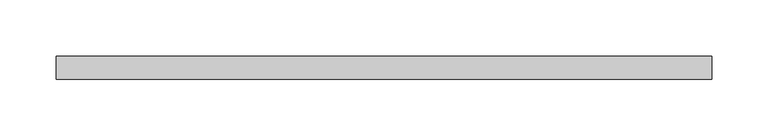
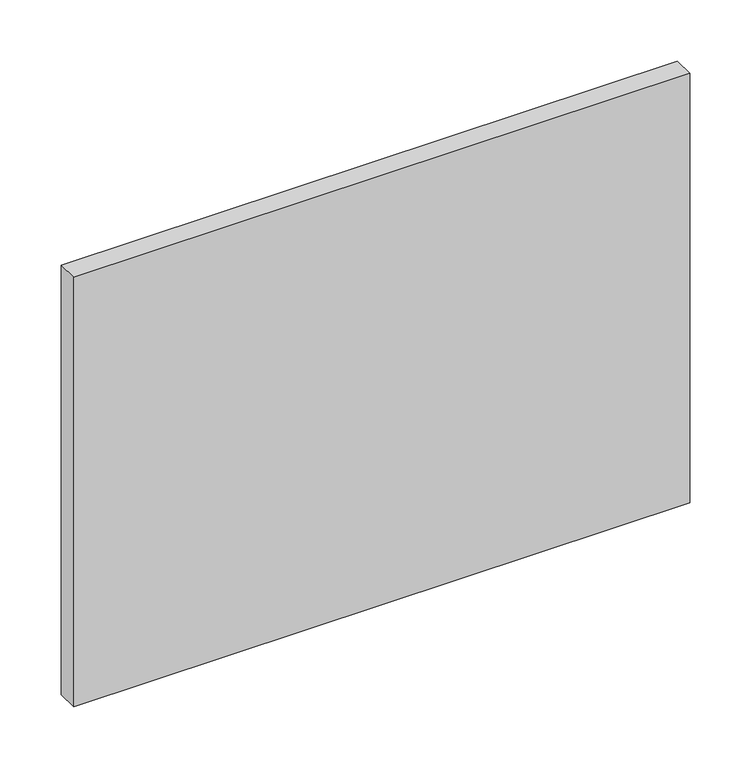
"""IFC4 building model written with IfcOpenShell, lengths in millimetres: plate geometry."""

from ifc_helpers import new_model, si_unit, origin, origin_with_axes, place, context, project, spatial, polyline, outline, extrude, source, transform, mapped, element, save


def plate_236fa8ed(model_context):
    return source(origin(), model_context, "Body", "SweptSolid", [
        extrude(outline(polyline([(290.0, -90.0), (-290.0, -90.0), (-290.0, -70.0), (290.0, -70.0), (290.0, -90.0)])), origin_with_axes(), (0.0, 0.0, 1.0), 427.3076923),
    ])


if __name__ == "__main__":
    model = new_model("IFC4")
    model_context = context("Model", 3, world=origin())
    ifc_project = project(units=[si_unit("LENGTHUNIT", "METRE", prefix="MILLI")], contexts=[model_context])
    site = spatial("IfcSite", under=ifc_project)
    building = spatial("IfcBuilding", under=site)
    placement = place(None, origin())
    plate_shape = plate_236fa8ed(model_context)
    element("IfcPlate", 1, at=placement, inside=building, context=model_context, shape_type="MappedRepresentation", body=[
        mapped(plate_shape, transform((0.0, 0.0, 0.0), x_axis=(1.0, 0.0, 0.0), y_axis=(0.0, 1.0, 0.0), z_axis=(0.0, 0.0, 1.0))),
    ])
    save(model, "model.ifc")
